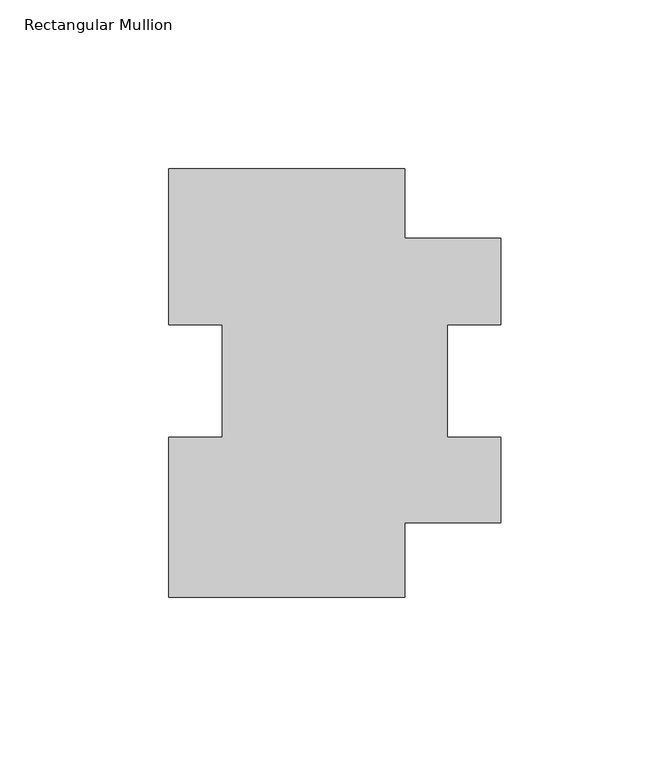
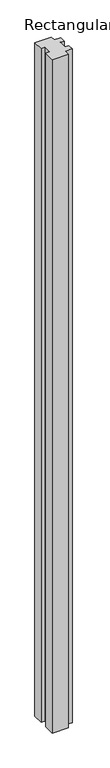
"""IFC4 building model written with IfcOpenShell, lengths in millimetres: member geometry, Rectangular Mullion."""

from ifc_helpers import new_model, si_unit, frame, origin, place, context, project, spatial, polyline, outline, extrude, source, transform, mapped, element, save


def rectangular_mullion_d1e9077c(model_context):
    return source(origin(), model_context, "Body", "SweptSolid", [
        extrude(outline(polyline([(-98.4249767, -64.3018093), (-98.4249767, -16.8427914), (-82.5499767, -16.8427914), (-82.5499767, 16.5156187), (-98.4249767, 16.5156187), (-98.4249767, 62.6981907), (-28.5651246, 62.6981907), (-28.5651246, 42.14943), (0.0, 42.14943), (0.0, 16.5156187), (-15.875, 16.5156187), (-15.875, -16.8427914), (0.0, -16.8427914), (0.0, -42.17857), (-28.5651246, -42.17857), (-28.5651246, -64.3018093), (-98.4249767, -64.3018093)])), frame((0.0, 0.0, -3048.0), z_axis=(0.0, 0.0, 1.0), x_axis=(1.0, 0.0, 0.0)), (0.0, 0.0, 1.0), 3048.0),
    ])


if __name__ == "__main__":
    model = new_model("IFC4")
    model_context = context("Model", 3, world=origin())
    ifc_project = project(units=[si_unit("LENGTHUNIT", "METRE", prefix="MILLI")], contexts=[model_context])
    site = spatial("IfcSite", under=ifc_project)
    building = spatial("IfcBuilding", under=site)
    placement = place(None, origin())
    rectangular_mullion_shape = rectangular_mullion_d1e9077c(model_context)
    element("IfcMember", 1, ObjectType="Rectangular Mullion", at=placement, inside=building, context=model_context, shape_type="MappedRepresentation", body=[
        mapped(rectangular_mullion_shape, transform((0.0, 0.0, 0.0), x_axis=(1.0, 0.0, 0.0), y_axis=(0.0, 1.0, 0.0), z_axis=(0.0, 0.0, 1.0))),
    ])
    save(model, "model.ifc")
